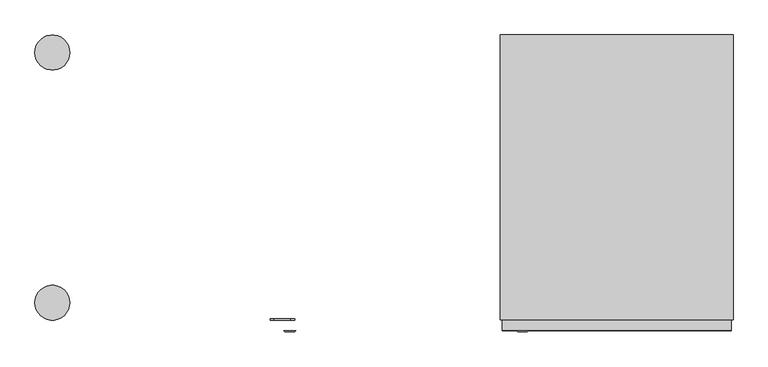
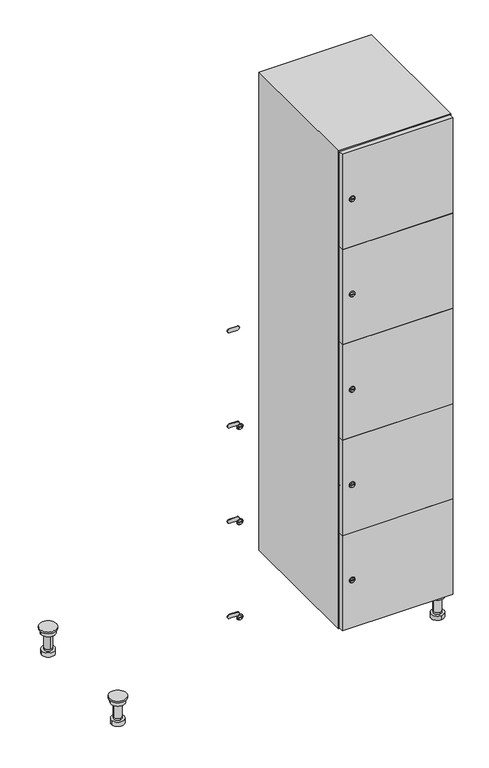
"""IFC4 building model written with IfcOpenShell, lengths in millimetres: furniture geometry."""

from ifc_helpers import new_model, si_unit, point, frame, frame_2d, origin, place, context, project, spatial, polyline, circle_curve, trimmed, segment, composite_curve, outline, extrude, faceted_brep, source, transform, mapped, element, save
from ifc_brep_helpers import plane_surface, cylinder_surface, revolved_surface, advanced_brep


def furniture_178ef676(model_context):
    return source(origin(), model_context, "Body", "SolidModel", [
        advanced_brep(
        [(970.0, -201.0, 22.0), (970.0, -201.5, 16.0), (970.0, -228.5, 16.0), (970.0, -229.0, 22.0), (956.0, -215.0, 22.0), (984.0, -215.0, 22.0), (970.0, -192.5, 16.0), (970.0, -237.5, 16.0), (970.0, -192.5, 0.0), (970.0, -237.5, 0.0), (984.0, -215.0, 78.0), (956.0, -215.0, 78.0), (995.0, -215.0, 78.0), (945.0, -215.0, 78.0), (1000.0, -215.0, 94.0), (940.0, -215.0, 94.0), (945.0, -215.0, 94.0), (995.0, -215.0, 94.0), (1000.0, -215.0, 100.0), (940.0, -215.0, 100.0)],
        [
            (0, 1),
            (1, 2, circle_curve(frame((970.0, -215.0, 16.0), z_axis=(0.0, 0.0, 1.0), x_axis=(0.0, -1.0, 0.0)), 13.5)),
            (2, 3),
            (3, 4, circle_curve(frame((970.0, -215.0, 22.0), z_axis=(0.0, 0.0, -1.0), x_axis=(0.0, -1.0, 0.0)), 14.0)),
            (4, 0, circle_curve(frame((970.0, -215.0, 22.0), z_axis=(0.0, 0.0, -1.0), x_axis=(0.0, -1.0, 0.0)), 14.0)),
            (0, 5, circle_curve(frame((970.0, -215.0, 22.0), z_axis=(0.0, 0.0, -1.0), x_axis=(0.0, 1.0, 0.0)), 14.0)),
            (5, 3, circle_curve(frame((970.0, -215.0, 22.0), z_axis=(0.0, 0.0, -1.0), x_axis=(0.0, 1.0, 0.0)), 14.0)),
            (2, 1, circle_curve(frame((970.0, -215.0, 16.0), z_axis=(0.0, 0.0, 1.0), x_axis=(0.0, 1.0, 0.0)), 13.5)),
            (6, 7, circle_curve(frame((970.0, -215.0, 16.0), z_axis=(0.0, 0.0, 1.0), x_axis=(0.0, -1.0, 0.0)), 22.5)),
            (7, 6, circle_curve(frame((970.0, -215.0, 16.0), z_axis=(0.0, 0.0, 1.0), x_axis=(0.0, -1.0, 0.0)), 22.5)),
            (8, 9, circle_curve(frame((970.0, -215.0, 0.0), z_axis=(0.0, 0.0, -1.0), x_axis=(0.0, -1.0, 0.0)), 22.5)),
            (9, 8, circle_curve(frame((970.0, -215.0, 0.0), z_axis=(0.0, 0.0, -1.0), x_axis=(0.0, -1.0, 0.0)), 22.5)),
            (6, 8),
            (9, 7),
            (5, 10),
            (10, 11, circle_curve(frame((970.0, -215.0, 78.0), z_axis=(0.0, 0.0, -1.0), x_axis=(-1.0, 0.0, 0.0)), 14.0)),
            (11, 4),
            (11, 10, circle_curve(frame((970.0, -215.0, 78.0), z_axis=(0.0, 0.0, -1.0), x_axis=(-1.0, 0.0, 0.0)), 14.0)),
            (12, 13, circle_curve(frame((970.0, -215.0, 78.0), z_axis=(0.0, 0.0, -1.0), x_axis=(-1.0, 0.0, 0.0)), 25.0)),
            (13, 12, circle_curve(frame((970.0, -215.0, 78.0), z_axis=(0.0, 0.0, -1.0), x_axis=(-1.0, 0.0, 0.0)), 25.0)),
            (14, 15, circle_curve(frame((970.0, -215.0, 94.0), z_axis=(0.0, 0.0, -1.0), x_axis=(-1.0, 0.0, 0.0)), 30.0)),
            (15, 14, circle_curve(frame((970.0, -215.0, 94.0), z_axis=(0.0, 0.0, -1.0), x_axis=(-1.0, 0.0, 0.0)), 30.0)),
            (16, 17, circle_curve(frame((970.0, -215.0, 94.0), z_axis=(0.0, 0.0, 1.0), x_axis=(-1.0, 0.0, 0.0)), 25.0)),
            (17, 16, circle_curve(frame((970.0, -215.0, 94.0), z_axis=(0.0, 0.0, 1.0), x_axis=(-1.0, 0.0, 0.0)), 25.0)),
            (18, 19, circle_curve(frame((970.0, -215.0, 100.0), z_axis=(0.0, 0.0, 1.0), x_axis=(-1.0, 0.0, 0.0)), 30.0)),
            (19, 18, circle_curve(frame((970.0, -215.0, 100.0), z_axis=(0.0, 0.0, 1.0), x_axis=(-1.0, 0.0, 0.0)), 30.0)),
            (14, 18),
            (19, 15),
            (12, 17),
            (16, 13),
        ],
        [
            revolved_surface(polyline([(970.0, -201.5, 16.0), (970.0, -201.0, 22.0)]), (970.0, -215.0, -146.0), (0.0, 0.0, 1.0)),
            plane_surface(frame((970.0, 0.0, 16.0), z_axis=(0.0, 0.0, 1.0), x_axis=(0.0, -1.0, 0.0))),
            plane_surface(frame((970.0, 0.0, 0.0), z_axis=(0.0, 0.0, -1.0), x_axis=(0.0, -1.0, 0.0))),
            cylinder_surface(frame((970.0, -215.0, 16.0), z_axis=(0.0, 0.0, 1.0), x_axis=(0.0, -1.0, 0.0)), 22.5),
            cylinder_surface(frame((970.0, -215.0, 22.0), z_axis=(0.0, 0.0, -1.0), x_axis=(-1.0, 0.0, 0.0)), 14.0),
            plane_surface(frame((970.0, 0.0, 78.0), z_axis=(0.0, 0.0, -1.0), x_axis=(0.0, -1.0, 0.0))),
            plane_surface(frame((970.0, 0.0, 94.0), z_axis=(0.0, 0.0, -1.0), x_axis=(0.0, -1.0, 0.0))),
            plane_surface(frame((970.0, 0.0, 100.0), z_axis=(0.0, 0.0, 1.0), x_axis=(0.0, -1.0, 0.0))),
            cylinder_surface(frame((970.0, -215.0, 94.0), z_axis=(0.0, 0.0, -1.0), x_axis=(-1.0, 0.0, 0.0)), 30.0),
            cylinder_surface(frame((970.0, -215.0, 78.0), z_axis=(0.0, 0.0, -1.0), x_axis=(-1.0, 0.0, 0.0)), 25.0),
        ],
        [
            (0, [[1, 2, 3, 4, 5]]),
            (0, [[-1, 6, 7, -3, 8]]),
            (1, [[9, 10], [-2, -8]]),
            (2, [[11, 12]]),
            (3, [[-9, 13, -12, 14]]),
            (3, [[-10, -14, -11, -13]]),
            (4, [[15, 16, 17, -4, -7]]),
            (4, [[-15, -6, -5, -17, 18]]),
            (5, [[19, 20], [-16, -18]]),
            (6, [[21, 22], [23, 24]]),
            (7, [[25, 26]]),
            (8, [[-21, 27, -26, 28]]),
            (8, [[-22, -28, -25, -27]]),
            (9, [[-19, 29, -23, 30]]),
            (9, [[-20, -30, -24, -29]]),
        ],
    ),
        advanced_brep(
        [(-170.0, -201.0, 22.0), (-170.0, -201.5, 16.0), (-170.0, -228.5, 16.0), (-170.0, -229.0, 22.0), (-184.0, -215.0, 22.0), (-156.0, -215.0, 22.0), (-147.5, -215.0, 0.0), (-192.5, -215.0, 0.0), (-147.5, -215.0, 16.0), (-192.5, -215.0, 16.0), (-156.0, -215.0, 78.0), (-184.0, -215.0, 78.0), (-145.0, -215.0, 78.0), (-195.0, -215.0, 78.0), (-140.0, -215.0, 94.0), (-200.0, -215.0, 94.0), (-195.0, -215.0, 94.0), (-145.0, -215.0, 94.0), (-140.0, -215.0, 100.0), (-200.0, -215.0, 100.0)],
        [
            (0, 1),
            (1, 2, circle_curve(frame((-170.0, -215.0, 16.0), z_axis=(0.0, 0.0, 1.0), x_axis=(0.0, -1.0, 0.0)), 13.5)),
            (2, 3),
            (3, 4, circle_curve(frame((-170.0, -215.0, 22.0), z_axis=(0.0, 0.0, -1.0), x_axis=(0.0, -1.0, 0.0)), 14.0)),
            (4, 0, circle_curve(frame((-170.0, -215.0, 22.0), z_axis=(0.0, 0.0, -1.0), x_axis=(0.0, -1.0, 0.0)), 14.0)),
            (0, 5, circle_curve(frame((-170.0, -215.0, 22.0), z_axis=(0.0, 0.0, -1.0), x_axis=(0.0, 1.0, 0.0)), 14.0)),
            (5, 3, circle_curve(frame((-170.0, -215.0, 22.0), z_axis=(0.0, 0.0, -1.0), x_axis=(0.0, 1.0, 0.0)), 14.0)),
            (2, 1, circle_curve(frame((-170.0, -215.0, 16.0), z_axis=(0.0, 0.0, 1.0), x_axis=(0.0, 1.0, 0.0)), 13.5)),
            (6, 7, circle_curve(frame((-170.0, -215.0, 0.0), z_axis=(0.0, 0.0, -1.0), x_axis=(-1.0, 0.0, 0.0)), 22.5)),
            (7, 6, circle_curve(frame((-170.0, -215.0, 0.0), z_axis=(0.0, 0.0, -1.0), x_axis=(-1.0, 0.0, 0.0)), 22.5)),
            (8, 9, circle_curve(frame((-170.0, -215.0, 16.0), z_axis=(0.0, 0.0, 1.0), x_axis=(-1.0, 0.0, 0.0)), 22.5)),
            (9, 8, circle_curve(frame((-170.0, -215.0, 16.0), z_axis=(0.0, 0.0, 1.0), x_axis=(-1.0, 0.0, 0.0)), 22.5)),
            (6, 8),
            (9, 7),
            (5, 10),
            (10, 11, circle_curve(frame((-170.0, -215.0, 78.0), z_axis=(0.0, 0.0, -1.0), x_axis=(-1.0, 0.0, 0.0)), 14.0)),
            (11, 4),
            (11, 10, circle_curve(frame((-170.0, -215.0, 78.0), z_axis=(0.0, 0.0, -1.0), x_axis=(-1.0, 0.0, 0.0)), 14.0)),
            (12, 13, circle_curve(frame((-170.0, -215.0, 78.0), z_axis=(0.0, 0.0, -1.0), x_axis=(-1.0, 0.0, 0.0)), 25.0)),
            (13, 12, circle_curve(frame((-170.0, -215.0, 78.0), z_axis=(0.0, 0.0, -1.0), x_axis=(-1.0, 0.0, 0.0)), 25.0)),
            (14, 15, circle_curve(frame((-170.0, -215.0, 94.0), z_axis=(0.0, 0.0, -1.0), x_axis=(-1.0, 0.0, 0.0)), 30.0)),
            (15, 14, circle_curve(frame((-170.0, -215.0, 94.0), z_axis=(0.0, 0.0, -1.0), x_axis=(-1.0, 0.0, 0.0)), 30.0)),
            (16, 17, circle_curve(frame((-170.0, -215.0, 94.0), z_axis=(0.0, 0.0, 1.0), x_axis=(-1.0, 0.0, 0.0)), 25.0)),
            (17, 16, circle_curve(frame((-170.0, -215.0, 94.0), z_axis=(0.0, 0.0, 1.0), x_axis=(-1.0, 0.0, 0.0)), 25.0)),
            (18, 19, circle_curve(frame((-170.0, -215.0, 100.0), z_axis=(0.0, 0.0, 1.0), x_axis=(-1.0, 0.0, 0.0)), 30.0)),
            (19, 18, circle_curve(frame((-170.0, -215.0, 100.0), z_axis=(0.0, 0.0, 1.0), x_axis=(-1.0, 0.0, 0.0)), 30.0)),
            (14, 18),
            (19, 15),
            (12, 17),
            (16, 13),
        ],
        [
            revolved_surface(polyline([(-170.0, -201.5, 16.0), (-170.0, -201.0, 22.0)]), (-170.0, -215.0, -146.0), (0.0, 0.0, 1.0)),
            plane_surface(frame((-170.0, 0.0, 0.0), z_axis=(0.0, 0.0, -1.0), x_axis=(0.0, -1.0, 0.0))),
            plane_surface(frame((-170.0, 0.0, 16.0), z_axis=(0.0, 0.0, 1.0), x_axis=(0.0, -1.0, 0.0))),
            cylinder_surface(frame((-170.0, -215.0, 0.0), z_axis=(0.0, 0.0, -1.0), x_axis=(-1.0, 0.0, 0.0)), 22.5),
            cylinder_surface(frame((-170.0, -215.0, 22.0), z_axis=(0.0, 0.0, -1.0), x_axis=(-1.0, 0.0, 0.0)), 14.0),
            plane_surface(frame((-170.0, 0.0, 78.0), z_axis=(0.0, 0.0, -1.0), x_axis=(0.0, -1.0, 0.0))),
            plane_surface(frame((-170.0, 0.0, 94.0), z_axis=(0.0, 0.0, -1.0), x_axis=(0.0, -1.0, 0.0))),
            plane_surface(frame((-170.0, 0.0, 100.0), z_axis=(0.0, 0.0, 1.0), x_axis=(0.0, -1.0, 0.0))),
            cylinder_surface(frame((-170.0, -215.0, 94.0), z_axis=(0.0, 0.0, -1.0), x_axis=(-1.0, 0.0, 0.0)), 30.0),
            cylinder_surface(frame((-170.0, -215.0, 78.0), z_axis=(0.0, 0.0, -1.0), x_axis=(-1.0, 0.0, 0.0)), 25.0),
        ],
        [
            (0, [[1, 2, 3, 4, 5]]),
            (0, [[-1, 6, 7, -3, 8]]),
            (1, [[9, 10]]),
            (2, [[11, 12], [-2, -8]]),
            (3, [[-9, 13, -12, 14]]),
            (3, [[-10, -14, -11, -13]]),
            (4, [[15, 16, 17, -4, -7]]),
            (4, [[-15, -6, -5, -17, 18]]),
            (5, [[19, 20], [-16, -18]]),
            (6, [[21, 22], [23, 24]]),
            (7, [[25, 26]]),
            (8, [[-21, 27, -26, 28]]),
            (8, [[-22, -28, -25, -27]]),
            (9, [[-19, 29, -23, 30]]),
            (9, [[-20, -30, -24, -29]]),
        ],
    ),
        advanced_brep(
        [(983.5, 215.0, 16.0), (984.0, 215.0, 22.0), (956.0, 215.0, 22.0), (956.5, 215.0, 16.0), (992.5, 215.0, 0.0), (947.5, 215.0, 0.0), (992.5, 215.0, 16.0), (947.5, 215.0, 16.0), (984.0, 215.0, 78.0), (956.0, 215.0, 78.0), (995.0, 215.0, 78.0), (945.0, 215.0, 78.0), (1000.0, 215.0, 94.0), (940.0, 215.0, 94.0), (945.0, 215.0, 94.0), (995.0, 215.0, 94.0), (1000.0, 215.0, 100.0), (940.0, 215.0, 100.0)],
        [
            (0, 1),
            (1, 2, circle_curve(frame((970.0, 215.0, 22.0), z_axis=(0.0, 0.0, -1.0), x_axis=(-1.0, 0.0, 0.0)), 14.0)),
            (2, 3),
            (3, 0, circle_curve(frame((970.0, 215.0, 16.0), z_axis=(0.0, 0.0, 1.0), x_axis=(-1.0, 0.0, 0.0)), 13.5)),
            (0, 3, circle_curve(frame((970.0, 215.0, 16.0), z_axis=(0.0, 0.0, 1.0), x_axis=(1.0, 0.0, 0.0)), 13.5)),
            (2, 1, circle_curve(frame((970.0, 215.0, 22.0), z_axis=(0.0, 0.0, -1.0), x_axis=(1.0, 0.0, 0.0)), 14.0)),
            (4, 5, circle_curve(frame((970.0, 215.0, 0.0), z_axis=(0.0, 0.0, -1.0), x_axis=(-1.0, 0.0, 0.0)), 22.5)),
            (5, 4, circle_curve(frame((970.0, 215.0, 0.0), z_axis=(0.0, 0.0, -1.0), x_axis=(-1.0, 0.0, 0.0)), 22.5)),
            (6, 7, circle_curve(frame((970.0, 215.0, 16.0), z_axis=(0.0, 0.0, 1.0), x_axis=(-1.0, 0.0, 0.0)), 22.5)),
            (7, 6, circle_curve(frame((970.0, 215.0, 16.0), z_axis=(0.0, 0.0, 1.0), x_axis=(-1.0, 0.0, 0.0)), 22.5)),
            (4, 6),
            (7, 5),
            (1, 8),
            (8, 9, circle_curve(frame((970.0, 215.0, 78.0), z_axis=(0.0, 0.0, -1.0), x_axis=(-1.0, 0.0, 0.0)), 14.0)),
            (9, 2),
            (9, 8, circle_curve(frame((970.0, 215.0, 78.0), z_axis=(0.0, 0.0, -1.0), x_axis=(-1.0, 0.0, 0.0)), 14.0)),
            (10, 11, circle_curve(frame((970.0, 215.0, 78.0), z_axis=(0.0, 0.0, -1.0), x_axis=(-1.0, 0.0, 0.0)), 25.0)),
            (11, 10, circle_curve(frame((970.0, 215.0, 78.0), z_axis=(0.0, 0.0, -1.0), x_axis=(-1.0, 0.0, 0.0)), 25.0)),
            (12, 13, circle_curve(frame((970.0, 215.0, 94.0), z_axis=(0.0, 0.0, -1.0), x_axis=(-1.0, 0.0, 0.0)), 30.0)),
            (13, 12, circle_curve(frame((970.0, 215.0, 94.0), z_axis=(0.0, 0.0, -1.0), x_axis=(-1.0, 0.0, 0.0)), 30.0)),
            (14, 15, circle_curve(frame((970.0, 215.0, 94.0), z_axis=(0.0, 0.0, 1.0), x_axis=(-1.0, 0.0, 0.0)), 25.0)),
            (15, 14, circle_curve(frame((970.0, 215.0, 94.0), z_axis=(0.0, 0.0, 1.0), x_axis=(-1.0, 0.0, 0.0)), 25.0)),
            (16, 17, circle_curve(frame((970.0, 215.0, 100.0), z_axis=(0.0, 0.0, 1.0), x_axis=(-1.0, 0.0, 0.0)), 30.0)),
            (17, 16, circle_curve(frame((970.0, 215.0, 100.0), z_axis=(0.0, 0.0, 1.0), x_axis=(-1.0, 0.0, 0.0)), 30.0)),
            (12, 16),
            (17, 13),
            (10, 15),
            (14, 11),
        ],
        [
            revolved_surface(polyline([(983.5, 215.0, 16.0), (984.0, 215.0, 22.0)]), (970.0, 215.0, -146.0), (0.0, 0.0, 1.0)),
            plane_surface(frame((970.0, 0.0, 0.0), z_axis=(0.0, 0.0, -1.0), x_axis=(0.0, -1.0, 0.0))),
            plane_surface(frame((970.0, 0.0, 16.0), z_axis=(0.0, 0.0, 1.0), x_axis=(0.0, -1.0, 0.0))),
            cylinder_surface(frame((970.0, 215.0, 0.0), z_axis=(0.0, 0.0, -1.0), x_axis=(-1.0, 0.0, 0.0)), 22.5),
            cylinder_surface(frame((970.0, 215.0, 22.0), z_axis=(0.0, 0.0, -1.0), x_axis=(-1.0, 0.0, 0.0)), 14.0),
            plane_surface(frame((970.0, 0.0, 78.0), z_axis=(0.0, 0.0, -1.0), x_axis=(0.0, -1.0, 0.0))),
            plane_surface(frame((970.0, 0.0, 94.0), z_axis=(0.0, 0.0, -1.0), x_axis=(0.0, -1.0, 0.0))),
            plane_surface(frame((970.0, 0.0, 100.0), z_axis=(0.0, 0.0, 1.0), x_axis=(0.0, -1.0, 0.0))),
            cylinder_surface(frame((970.0, 215.0, 94.0), z_axis=(0.0, 0.0, -1.0), x_axis=(-1.0, 0.0, 0.0)), 30.0),
            cylinder_surface(frame((970.0, 215.0, 78.0), z_axis=(0.0, 0.0, -1.0), x_axis=(-1.0, 0.0, 0.0)), 25.0),
        ],
        [
            (0, [[1, 2, 3, 4]]),
            (0, [[-1, 5, -3, 6]]),
            (1, [[7, 8]]),
            (2, [[9, 10], [-4, -5]]),
            (3, [[-7, 11, -10, 12]]),
            (3, [[-8, -12, -9, -11]]),
            (4, [[13, 14, 15, -2]]),
            (4, [[-13, -6, -15, 16]]),
            (5, [[17, 18], [-14, -16]]),
            (6, [[19, 20], [21, 22]]),
            (7, [[23, 24]]),
            (8, [[-19, 25, -24, 26]]),
            (8, [[-20, -26, -23, -25]]),
            (9, [[-17, 27, -21, 28]]),
            (9, [[-18, -28, -22, -27]]),
        ],
    ),
        advanced_brep(
        [(-156.5, 215.0, 16.0), (-156.0, 215.0, 22.0), (-170.0, 201.0, 22.0), (-184.0, 215.0, 22.0), (-183.5, 215.0, 16.0), (-170.0, 229.0, 22.0), (-147.5, 215.0, 0.0), (-192.5, 215.0, 0.0), (-147.5, 215.0, 16.0), (-192.5, 215.0, 16.0), (-170.0, 229.0, 78.0), (-170.0, 201.0, 78.0), (-145.0, 215.0, 78.0), (-195.0, 215.0, 78.0), (-140.0, 215.0, 94.0), (-200.0, 215.0, 94.0), (-195.0, 215.0, 94.0), (-145.0, 215.0, 94.0), (-140.0, 215.0, 100.0), (-200.0, 215.0, 100.0)],
        [
            (0, 1),
            (1, 2, circle_curve(frame((-170.0, 215.0, 22.0), z_axis=(0.0, 0.0, -1.0), x_axis=(-1.0, 0.0, 0.0)), 14.0)),
            (2, 3, circle_curve(frame((-170.0, 215.0, 22.0), z_axis=(0.0, 0.0, -1.0), x_axis=(-1.0, 0.0, 0.0)), 14.0)),
            (3, 4),
            (4, 0, circle_curve(frame((-170.0, 215.0, 16.0), z_axis=(0.0, 0.0, 1.0), x_axis=(-1.0, 0.0, 0.0)), 13.5)),
            (0, 4, circle_curve(frame((-170.0, 215.0, 16.0), z_axis=(0.0, 0.0, 1.0), x_axis=(1.0, 0.0, 0.0)), 13.5)),
            (3, 5, circle_curve(frame((-170.0, 215.0, 22.0), z_axis=(0.0, 0.0, -1.0), x_axis=(1.0, 0.0, 0.0)), 14.0)),
            (5, 1, circle_curve(frame((-170.0, 215.0, 22.0), z_axis=(0.0, 0.0, -1.0), x_axis=(1.0, 0.0, 0.0)), 14.0)),
            (6, 7, circle_curve(frame((-170.0, 215.0, 0.0), z_axis=(0.0, 0.0, -1.0), x_axis=(-1.0, 0.0, 0.0)), 22.5)),
            (7, 6, circle_curve(frame((-170.0, 215.0, 0.0), z_axis=(0.0, 0.0, -1.0), x_axis=(-1.0, 0.0, 0.0)), 22.5)),
            (8, 9, circle_curve(frame((-170.0, 215.0, 16.0), z_axis=(0.0, 0.0, 1.0), x_axis=(-1.0, 0.0, 0.0)), 22.5)),
            (9, 8, circle_curve(frame((-170.0, 215.0, 16.0), z_axis=(0.0, 0.0, 1.0), x_axis=(-1.0, 0.0, 0.0)), 22.5)),
            (6, 8),
            (9, 7),
            (10, 5),
            (2, 11),
            (11, 10, circle_curve(frame((-170.0, 215.0, 78.0), z_axis=(0.0, 0.0, -1.0), x_axis=(0.0, -1.0, 0.0)), 14.0)),
            (10, 11, circle_curve(frame((-170.0, 215.0, 78.0), z_axis=(0.0, 0.0, -1.0), x_axis=(0.0, -1.0, 0.0)), 14.0)),
            (12, 13, circle_curve(frame((-170.0, 215.0, 78.0), z_axis=(0.0, 0.0, -1.0), x_axis=(-1.0, 0.0, 0.0)), 25.0)),
            (13, 12, circle_curve(frame((-170.0, 215.0, 78.0), z_axis=(0.0, 0.0, -1.0), x_axis=(-1.0, 0.0, 0.0)), 25.0)),
            (14, 15, circle_curve(frame((-170.0, 215.0, 94.0), z_axis=(0.0, 0.0, -1.0), x_axis=(-1.0, 0.0, 0.0)), 30.0)),
            (15, 14, circle_curve(frame((-170.0, 215.0, 94.0), z_axis=(0.0, 0.0, -1.0), x_axis=(-1.0, 0.0, 0.0)), 30.0)),
            (16, 17, circle_curve(frame((-170.0, 215.0, 94.0), z_axis=(0.0, 0.0, 1.0), x_axis=(-1.0, 0.0, 0.0)), 25.0)),
            (17, 16, circle_curve(frame((-170.0, 215.0, 94.0), z_axis=(0.0, 0.0, 1.0), x_axis=(-1.0, 0.0, 0.0)), 25.0)),
            (18, 19, circle_curve(frame((-170.0, 215.0, 100.0), z_axis=(0.0, 0.0, 1.0), x_axis=(-1.0, 0.0, 0.0)), 30.0)),
            (19, 18, circle_curve(frame((-170.0, 215.0, 100.0), z_axis=(0.0, 0.0, 1.0), x_axis=(-1.0, 0.0, 0.0)), 30.0)),
            (14, 18),
            (19, 15),
            (12, 17),
            (16, 13),
        ],
        [
            revolved_surface(polyline([(-156.5, 215.0, 16.0), (-156.0, 215.0, 22.0)]), (-170.0, 215.0, -146.0), (0.0, 0.0, 1.0)),
            plane_surface(frame((-170.0, 0.0, 0.0), z_axis=(0.0, 0.0, -1.0), x_axis=(0.0, -1.0, 0.0))),
            plane_surface(frame((-170.0, 0.0, 16.0), z_axis=(0.0, 0.0, 1.0), x_axis=(0.0, -1.0, 0.0))),
            cylinder_surface(frame((-170.0, 215.0, 0.0), z_axis=(0.0, 0.0, -1.0), x_axis=(-1.0, 0.0, 0.0)), 22.5),
            cylinder_surface(frame((-170.0, 215.0, 78.0), z_axis=(0.0, 0.0, 1.0), x_axis=(0.0, -1.0, 0.0)), 14.0),
            plane_surface(frame((-170.0, 0.0, 78.0), z_axis=(0.0, 0.0, -1.0), x_axis=(0.0, -1.0, 0.0))),
            plane_surface(frame((-170.0, 0.0, 94.0), z_axis=(0.0, 0.0, -1.0), x_axis=(0.0, -1.0, 0.0))),
            plane_surface(frame((-170.0, 0.0, 100.0), z_axis=(0.0, 0.0, 1.0), x_axis=(0.0, -1.0, 0.0))),
            cylinder_surface(frame((-170.0, 215.0, 94.0), z_axis=(0.0, 0.0, -1.0), x_axis=(-1.0, 0.0, 0.0)), 30.0),
            cylinder_surface(frame((-170.0, 215.0, 78.0), z_axis=(0.0, 0.0, -1.0), x_axis=(-1.0, 0.0, 0.0)), 25.0),
        ],
        [
            (0, [[1, 2, 3, 4, 5]]),
            (0, [[-1, 6, -4, 7, 8]]),
            (1, [[9, 10]]),
            (2, [[11, 12], [-5, -6]]),
            (3, [[-9, 13, -12, 14]]),
            (3, [[-10, -14, -11, -13]]),
            (4, [[15, -7, -3, 16, 17]]),
            (4, [[-15, 18, -16, -2, -8]]),
            (5, [[19, 20], [-17, -18]]),
            (6, [[21, 22], [23, 24]]),
            (7, [[25, 26]]),
            (8, [[-21, 27, -26, 28]]),
            (8, [[-22, -28, -25, -27]]),
            (9, [[-19, 29, -23, 30]]),
            (9, [[-20, -30, -24, -29]]),
        ],
    ),
        extrude(outline(composite_curve([segment(trimmed(circle_curve(frame_2d((282.4, 611.2010534)), 7.0), [point((289.4, 611.2010534))], [point((275.4, 611.2010534))], False, "CARTESIAN"), True, "CONTINUOUS"), segment(polyline([(275.4, 611.2010534), (275.4, 639.2010534)]), True, "CONTINUOUS"), segment(trimmed(circle_curve(frame_2d((282.4, 639.2010534)), 7.0), [point((275.4, 639.2010534))], [point((289.4, 639.2010534))], False, "CARTESIAN"), True, "CONTINUOUS"), segment(polyline([(289.4, 639.2010534), (289.4, 611.2010534)]), True, "CONTINUOUS")], self_intersect=False)), frame((0.0, -245.0, 0.0), z_axis=(0.0, 1.0, 0.0), x_axis=(0.0, 0.0, 1.0)), (0.0, 0.0, 1.0), 2.0),
        advanced_brep(
        [(646.5, -265.2, 282.4), (629.5, -265.2, 282.4), (633.0, -265.2, 281.15), (633.0, -265.2, 283.65), (643.0, -265.2, 283.65), (643.0, -265.2, 281.15), (648.5, -263.0, 282.4), (627.5, -263.0, 282.4), (633.0, -263.0, 283.65), (633.0, -263.0, 281.15), (643.0, -263.0, 281.15), (643.0, -263.0, 283.65)],
        [
            (0, 1, circle_curve(frame((638.0, -265.2, 282.4), z_axis=(0.0, -1.0, 0.0), x_axis=(1.0, 0.0, 0.0)), 8.5)),
            (1, 0, circle_curve(frame((638.0, -265.2, 282.4), z_axis=(0.0, -1.0, 0.0), x_axis=(-1.0, 0.0, 0.0)), 8.5)),
            (2, 3),
            (3, 4),
            (4, 5),
            (5, 2),
            (6, 7, circle_curve(frame((638.0, -263.0, 282.4), z_axis=(0.0, 1.0, 0.0), x_axis=(-1.0, 0.0, 0.0)), 10.5)),
            (7, 6, circle_curve(frame((638.0, -263.0, 282.4), z_axis=(0.0, 1.0, 0.0), x_axis=(1.0, 0.0, 0.0)), 10.5)),
            (8, 9),
            (9, 10),
            (10, 11),
            (11, 8),
            (0, 6),
            (7, 1),
            (8, 3),
            (2, 9),
            (11, 4),
            (10, 5),
        ],
        [
            plane_surface(frame((638.0, -265.2, 282.4), z_axis=(0.0, -1.0, 0.0), x_axis=(0.0, 0.0, 1.0))),
            plane_surface(frame((638.0, -263.0, 282.4), z_axis=(0.0, 1.0, 0.0), x_axis=(0.0, 0.0, 1.0))),
            revolved_surface(polyline([(646.5, -265.2, 282.4), (648.5, -263.0, 282.4)]), (638.0, -274.55, 282.4), (0.0, 1.0, 0.0)),
            revolved_surface(polyline([(629.5, -265.2, 282.4), (627.5, -263.0, 282.4)]), (638.0, -274.55, 282.4), (0.0, 1.0, 0.0)),
            plane_surface(frame((633.0, -263.0, 281.15), z_axis=(1.0, 0.0, 0.0), x_axis=(0.0, -1.0, 0.0))),
            plane_surface(frame((633.0, -263.0, 283.65), z_axis=(0.0, 0.0, -1.0), x_axis=(0.0, -1.0, 0.0))),
            plane_surface(frame((643.0, -263.0, 283.65), z_axis=(-1.0, 0.0, 0.0), x_axis=(0.0, -1.0, 0.0))),
            plane_surface(frame((643.0, -263.0, 281.15), z_axis=(0.0, 0.0, 1.0), x_axis=(0.0, -1.0, 0.0))),
        ],
        [
            (0, [[1, 2], [3, 4, 5, 6]]),
            (1, [[7, 8], [9, 10, 11, 12]]),
            (2, [[-1, 13, -8, 14]]),
            (3, [[-2, -14, -7, -13]]),
            (4, [[15, -3, 16, -9]]),
            (5, [[-15, -12, 17, -4]]),
            (6, [[-17, -11, 18, -5]]),
            (7, [[-16, -6, -18, -10]]),
        ],
    ),
        extrude(outline(composite_curve([segment(trimmed(circle_curve(frame_2d((641.2, 611.2010534)), 7.0), [point((648.2, 611.2010534))], [point((634.2, 611.2010534))], False, "CARTESIAN"), True, "CONTINUOUS"), segment(polyline([(634.2, 611.2010534), (634.2, 639.2010534)]), True, "CONTINUOUS"), segment(trimmed(circle_curve(frame_2d((641.2, 639.2010534)), 7.0), [point((634.2, 639.2010534))], [point((648.2, 639.2010534))], False, "CARTESIAN"), True, "CONTINUOUS"), segment(polyline([(648.2, 639.2010534), (648.2, 611.2010534)]), True, "CONTINUOUS")], self_intersect=False)), frame((0.0, -245.0, 0.0), z_axis=(0.0, 1.0, 0.0), x_axis=(0.0, 0.0, 1.0)), (0.0, 0.0, 1.0), 2.0),
        advanced_brep(
        [(646.5, -265.2, 641.2), (629.5, -265.2, 641.2), (633.0, -265.2, 639.95), (633.0, -265.2, 642.45), (643.0, -265.2, 642.45), (643.0, -265.2, 639.95), (648.5, -263.0, 641.2), (627.5, -263.0, 641.2), (633.0, -263.0, 642.45), (633.0, -263.0, 639.95), (643.0, -263.0, 639.95), (643.0, -263.0, 642.45)],
        [
            (0, 1, circle_curve(frame((638.0, -265.2, 641.2), z_axis=(0.0, -1.0, 0.0), x_axis=(1.0, 0.0, 0.0)), 8.5)),
            (1, 0, circle_curve(frame((638.0, -265.2, 641.2), z_axis=(0.0, -1.0, 0.0), x_axis=(-1.0, 0.0, 0.0)), 8.5)),
            (2, 3),
            (3, 4),
            (4, 5),
            (5, 2),
            (6, 7, circle_curve(frame((638.0, -263.0, 641.2), z_axis=(0.0, 1.0, 0.0), x_axis=(-1.0, 0.0, 0.0)), 10.5)),
            (7, 6, circle_curve(frame((638.0, -263.0, 641.2), z_axis=(0.0, 1.0, 0.0), x_axis=(1.0, 0.0, 0.0)), 10.5)),
            (8, 9),
            (9, 10),
            (10, 11),
            (11, 8),
            (0, 6),
            (7, 1),
            (8, 3),
            (2, 9),
            (11, 4),
            (10, 5),
        ],
        [
            plane_surface(frame((638.0, -265.2, 641.2), z_axis=(0.0, -1.0, 0.0), x_axis=(0.0, 0.0, 1.0))),
            plane_surface(frame((638.0, -263.0, 641.2), z_axis=(0.0, 1.0, 0.0), x_axis=(0.0, 0.0, 1.0))),
            revolved_surface(polyline([(646.5, -265.2, 641.2), (648.5, -263.0, 641.2)]), (638.0, -274.55, 641.2), (0.0, 1.0, 0.0)),
            revolved_surface(polyline([(629.5, -265.2, 641.2), (627.5, -263.0, 641.2)]), (638.0, -274.55, 641.2), (0.0, 1.0, 0.0)),
            plane_surface(frame((633.0, -263.0, 639.95), z_axis=(1.0, 0.0, 0.0), x_axis=(0.0, -1.0, 0.0))),
            plane_surface(frame((633.0, -263.0, 642.45), z_axis=(0.0, 0.0, -1.0), x_axis=(0.0, -1.0, 0.0))),
            plane_surface(frame((643.0, -263.0, 642.45), z_axis=(-1.0, 0.0, 0.0), x_axis=(0.0, -1.0, 0.0))),
            plane_surface(frame((643.0, -263.0, 639.95), z_axis=(0.0, 0.0, 1.0), x_axis=(0.0, -1.0, 0.0))),
        ],
        [
            (0, [[1, 2], [3, 4, 5, 6]]),
            (1, [[7, 8], [9, 10, 11, 12]]),
            (2, [[-1, 13, -8, 14]]),
            (3, [[-2, -14, -7, -13]]),
            (4, [[15, -3, 16, -9]]),
            (5, [[-15, -12, 17, -4]]),
            (6, [[-17, -11, 18, -5]]),
            (7, [[-16, -6, -18, -10]]),
        ],
    ),
        extrude(outline(composite_curve([segment(trimmed(circle_curve(frame_2d((1000.0, 611.2010534)), 7.0), [point((1007.0, 611.2010534))], [point((993.0, 611.2010534))], False, "CARTESIAN"), True, "CONTINUOUS"), segment(polyline([(993.0, 611.2010534), (993.0, 639.2010534)]), True, "CONTINUOUS"), segment(trimmed(circle_curve(frame_2d((1000.0, 639.2010534)), 7.0), [point((993.0, 639.2010534))], [point((1007.0, 639.2010534))], False, "CARTESIAN"), True, "CONTINUOUS"), segment(polyline([(1007.0, 639.2010534), (1007.0, 611.2010534)]), True, "CONTINUOUS")], self_intersect=False)), frame((0.0, -245.0, 0.0), z_axis=(0.0, 1.0, 0.0), x_axis=(0.0, 0.0, 1.0)), (0.0, 0.0, 1.0), 2.0),
        advanced_brep(
        [(646.5, -265.2, 1000.0), (629.5, -265.2, 1000.0), (633.0, -265.2, 998.75), (633.0, -265.2, 1001.25), (643.0, -265.2, 1001.25), (643.0, -265.2, 998.75), (648.5, -263.0, 1000.0), (627.5, -263.0, 1000.0), (633.0, -263.0, 1001.25), (633.0, -263.0, 998.75), (643.0, -263.0, 998.75), (643.0, -263.0, 1001.25)],
        [
            (0, 1, circle_curve(frame((638.0, -265.2, 1000.0), z_axis=(0.0, -1.0, 0.0), x_axis=(1.0, 0.0, 0.0)), 8.5)),
            (1, 0, circle_curve(frame((638.0, -265.2, 1000.0), z_axis=(0.0, -1.0, 0.0), x_axis=(-1.0, 0.0, 0.0)), 8.5)),
            (2, 3),
            (3, 4),
            (4, 5),
            (5, 2),
            (6, 7, circle_curve(frame((638.0, -263.0, 1000.0), z_axis=(0.0, 1.0, 0.0), x_axis=(-1.0, 0.0, 0.0)), 10.5)),
            (7, 6, circle_curve(frame((638.0, -263.0, 1000.0), z_axis=(0.0, 1.0, 0.0), x_axis=(1.0, 0.0, 0.0)), 10.5)),
            (8, 9),
            (9, 10),
            (10, 11),
            (11, 8),
            (0, 6),
            (7, 1),
            (8, 3),
            (2, 9),
            (11, 4),
            (10, 5),
        ],
        [
            plane_surface(frame((638.0, -265.2, 1000.0), z_axis=(0.0, -1.0, 0.0), x_axis=(0.0, 0.0, 1.0))),
            plane_surface(frame((638.0, -263.0, 1000.0), z_axis=(0.0, 1.0, 0.0), x_axis=(0.0, 0.0, 1.0))),
            revolved_surface(polyline([(646.5, -265.2, 1000.0), (648.5, -263.0, 1000.0)]), (638.0, -274.55, 1000.0), (0.0, 1.0, 0.0)),
            revolved_surface(polyline([(629.5, -265.2, 1000.0), (627.5, -263.0, 1000.0)]), (638.0, -274.55, 1000.0), (0.0, 1.0, 0.0)),
            plane_surface(frame((633.0, -263.0, 998.75), z_axis=(1.0, 0.0, 0.0), x_axis=(0.0, -1.0, 0.0))),
            plane_surface(frame((633.0, -263.0, 1001.25), z_axis=(0.0, 0.0, -1.0), x_axis=(0.0, -1.0, 0.0))),
            plane_surface(frame((643.0, -263.0, 1001.25), z_axis=(-1.0, 0.0, 0.0), x_axis=(0.0, -1.0, 0.0))),
            plane_surface(frame((643.0, -263.0, 998.75), z_axis=(0.0, 0.0, 1.0), x_axis=(0.0, -1.0, 0.0))),
        ],
        [
            (0, [[1, 2], [3, 4, 5, 6]]),
            (1, [[7, 8], [9, 10, 11, 12]]),
            (2, [[-1, 13, -8, 14]]),
            (3, [[-2, -14, -7, -13]]),
            (4, [[15, -3, 16, -9]]),
            (5, [[-15, -12, 17, -4]]),
            (6, [[-17, -11, 18, -5]]),
            (7, [[-16, -6, -18, -10]]),
        ],
    ),
        extrude(outline(composite_curve([segment(trimmed(circle_curve(frame_2d((1358.8, 611.2010534)), 7.0), [point((1365.8, 611.2010534))], [point((1351.8, 611.2010534))], False, "CARTESIAN"), True, "CONTINUOUS"), segment(polyline([(1351.8, 611.2010534), (1351.8, 639.2010534)]), True, "CONTINUOUS"), segment(trimmed(circle_curve(frame_2d((1358.8, 639.2010534)), 7.0), [point((1351.8, 639.2010534))], [point((1365.8, 639.2010534))], False, "CARTESIAN"), True, "CONTINUOUS"), segment(polyline([(1365.8, 639.2010534), (1365.8, 611.2010534)]), True, "CONTINUOUS")], self_intersect=False)), frame((0.0, -245.0, 0.0), z_axis=(0.0, 1.0, 0.0), x_axis=(0.0, 0.0, 1.0)), (0.0, 0.0, 1.0), 2.0),
        advanced_brep(
        [(646.5, -265.2, 1358.8), (629.5, -265.2, 1358.8), (633.0, -265.2, 1357.55), (633.0, -265.2, 1360.05), (643.0, -265.2, 1360.05), (643.0, -265.2, 1357.55), (648.5, -263.0, 1358.8), (627.5, -263.0, 1358.8), (633.0, -263.0, 1360.05), (633.0, -263.0, 1357.55), (643.0, -263.0, 1357.55), (643.0, -263.0, 1360.05)],
        [
            (0, 1, circle_curve(frame((638.0, -265.2, 1358.8), z_axis=(0.0, -1.0, 0.0), x_axis=(1.0, 0.0, 0.0)), 8.5)),
            (1, 0, circle_curve(frame((638.0, -265.2, 1358.8), z_axis=(0.0, -1.0, 0.0), x_axis=(-1.0, 0.0, 0.0)), 8.5)),
            (2, 3),
            (3, 4),
            (4, 5),
            (5, 2),
            (6, 7, circle_curve(frame((638.0, -263.0, 1358.8), z_axis=(0.0, 1.0, 0.0), x_axis=(-1.0, 0.0, 0.0)), 10.5)),
            (7, 6, circle_curve(frame((638.0, -263.0, 1358.8), z_axis=(0.0, 1.0, 0.0), x_axis=(1.0, 0.0, 0.0)), 10.5)),
            (8, 9),
            (9, 10),
            (10, 11),
            (11, 8),
            (0, 6),
            (7, 1),
            (8, 3),
            (2, 9),
            (11, 4),
            (10, 5),
        ],
        [
            plane_surface(frame((638.0, -265.2, 1358.8), z_axis=(0.0, -1.0, 0.0), x_axis=(0.0, 0.0, 1.0))),
            plane_surface(frame((638.0, -263.0, 1358.8), z_axis=(0.0, 1.0, 0.0), x_axis=(0.0, 0.0, 1.0))),
            revolved_surface(polyline([(646.5, -265.2, 1358.8), (648.5, -263.0, 1358.8)]), (638.0, -274.55, 1358.8), (0.0, 1.0, 0.0)),
            revolved_surface(polyline([(629.5, -265.2, 1358.8), (627.5, -263.0, 1358.8)]), (638.0, -274.55, 1358.8), (0.0, 1.0, 0.0)),
            plane_surface(frame((633.0, -263.0, 1357.55), z_axis=(1.0, 0.0, 0.0), x_axis=(0.0, -1.0, 0.0))),
            plane_surface(frame((633.0, -263.0, 1360.05), z_axis=(0.0, 0.0, -1.0), x_axis=(0.0, -1.0, 0.0))),
            plane_surface(frame((643.0, -263.0, 1360.05), z_axis=(-1.0, 0.0, 0.0), x_axis=(0.0, -1.0, 0.0))),
            plane_surface(frame((643.0, -263.0, 1357.55), z_axis=(0.0, 0.0, 1.0), x_axis=(0.0, -1.0, 0.0))),
        ],
        [
            (0, [[1, 2], [3, 4, 5, 6]]),
            (1, [[7, 8], [9, 10, 11, 12]]),
            (2, [[-1, 13, -8, 14]]),
            (3, [[-2, -14, -7, -13]]),
            (4, [[15, -3, 16, -9]]),
            (5, [[-15, -12, 17, -4]]),
            (6, [[-17, -11, 18, -5]]),
            (7, [[-16, -6, -18, -10]]),
        ],
    ),
        extrude(outline(composite_curve([segment(trimmed(circle_curve(frame_2d((1717.6, 611.2010534)), 7.0), [point((1724.6, 611.2010534))], [point((1710.6, 611.2010534))], False, "CARTESIAN"), True, "CONTINUOUS"), segment(polyline([(1710.6, 611.2010534), (1710.6, 639.2010534)]), True, "CONTINUOUS"), segment(trimmed(circle_curve(frame_2d((1717.6, 639.2010534)), 7.0), [point((1710.6, 639.2010534))], [point((1724.6, 639.2010534))], False, "CARTESIAN"), True, "CONTINUOUS"), segment(polyline([(1724.6, 639.2010534), (1724.6, 611.2010534)]), True, "CONTINUOUS")], self_intersect=False)), frame((0.0, -245.0, 0.0), z_axis=(0.0, 1.0, 0.0), x_axis=(0.0, 0.0, 1.0)), (0.0, 0.0, 1.0), 2.0),
        advanced_brep(
        [(646.5, -265.2, 1717.6), (629.5, -265.2, 1717.6), (633.0, -265.2, 1716.35), (633.0, -265.2, 1718.85), (643.0, -265.2, 1718.85), (643.0, -265.2, 1716.35), (648.5, -263.0, 1717.6), (627.5, -263.0, 1717.6), (633.0, -263.0, 1718.85), (633.0, -263.0, 1716.35), (643.0, -263.0, 1716.35), (643.0, -263.0, 1718.85)],
        [
            (0, 1, circle_curve(frame((638.0, -265.2, 1717.6), z_axis=(0.0, -1.0, 0.0), x_axis=(1.0, 0.0, 0.0)), 8.5)),
            (1, 0, circle_curve(frame((638.0, -265.2, 1717.6), z_axis=(0.0, -1.0, 0.0), x_axis=(-1.0, 0.0, 0.0)), 8.5)),
            (2, 3),
            (3, 4),
            (4, 5),
            (5, 2),
            (6, 7, circle_curve(frame((638.0, -263.0, 1717.6), z_axis=(0.0, 1.0, 0.0), x_axis=(-1.0, 0.0, 0.0)), 10.5)),
            (7, 6, circle_curve(frame((638.0, -263.0, 1717.6), z_axis=(0.0, 1.0, 0.0), x_axis=(1.0, 0.0, 0.0)), 10.5)),
            (8, 9),
            (9, 10),
            (10, 11),
            (11, 8),
            (0, 6),
            (7, 1),
            (8, 3),
            (2, 9),
            (11, 4),
            (10, 5),
        ],
        [
            plane_surface(frame((638.0, -265.2, 1717.6), z_axis=(0.0, -1.0, 0.0), x_axis=(0.0, 0.0, 1.0))),
            plane_surface(frame((638.0, -263.0, 1717.6), z_axis=(0.0, 1.0, 0.0), x_axis=(0.0, 0.0, 1.0))),
            revolved_surface(polyline([(646.5, -265.2, 1717.6), (648.5, -263.0, 1717.6)]), (638.0, -274.55, 1717.6), (0.0, 1.0, 0.0)),
            revolved_surface(polyline([(629.5, -265.2, 1717.6), (627.5, -263.0, 1717.6)]), (638.0, -274.55, 1717.6), (0.0, 1.0, 0.0)),
            plane_surface(frame((633.0, -263.0, 1716.35), z_axis=(1.0, 0.0, 0.0), x_axis=(0.0, -1.0, 0.0))),
            plane_surface(frame((633.0, -263.0, 1718.85), z_axis=(0.0, 0.0, -1.0), x_axis=(0.0, -1.0, 0.0))),
            plane_surface(frame((643.0, -263.0, 1718.85), z_axis=(-1.0, 0.0, 0.0), x_axis=(0.0, -1.0, 0.0))),
            plane_surface(frame((643.0, -263.0, 1716.35), z_axis=(0.0, 0.0, 1.0), x_axis=(0.0, -1.0, 0.0))),
        ],
        [
            (0, [[1, 2], [3, 4, 5, 6]]),
            (1, [[7, 8], [9, 10, 11, 12]]),
            (2, [[-1, 13, -8, 14]]),
            (3, [[-2, -14, -7, -13]]),
            (4, [[15, -3, 16, -9]]),
            (5, [[-15, -12, 17, -4]]),
            (6, [[-17, -11, 18, -5]]),
            (7, [[-16, -6, -18, -10]]),
        ],
    ),
        extrude(outline(polyline([(997.0, -245.0), (997.0, -263.0), (603.0, -263.0), (603.0, -245.0), (997.0, -245.0)])), frame((0.0, 0.0, 820.1), z_axis=(0.0, 0.0, 1.0), x_axis=(1.0, 0.0, 0.0)), (0.0, 0.0, 1.0), 359.8),
        extrude(outline(polyline([(997.0, -245.0), (997.0, -263.0), (603.0, -263.0), (603.0, -245.0), (997.0, -245.0)])), frame((0.0, 0.0, 461.3), z_axis=(0.0, 0.0, 1.0), x_axis=(1.0, 0.0, 0.0)), (0.0, 0.0, 1.0), 359.8),
        extrude(outline(polyline([(997.0, -245.0), (997.0, -263.0), (603.0, -263.0), (603.0, -245.0), (997.0, -245.0)])), frame((0.0, 0.0, 1178.9), z_axis=(0.0, 0.0, 1.0), x_axis=(1.0, 0.0, 0.0)), (0.0, 0.0, 1.0), 358.8),
        extrude(outline(polyline([(603.0, -263.0), (603.0, -245.0), (997.0, -245.0), (997.0, -263.0), (603.0, -263.0)])), frame((0.0, 0.0, 1538.7), z_axis=(0.0, 0.0, 1.0), x_axis=(1.0, 0.0, 0.0)), (0.0, 0.0, 1.0), 358.3),
        extrude(outline(polyline([(997.0, -245.0), (997.0, -263.0), (603.0, -263.0), (603.0, -245.0), (997.0, -245.0)])), frame((0.0, 0.0, 103.0), z_axis=(0.0, 0.0, 1.0), x_axis=(1.0, 0.0, 0.0)), (0.0, 0.0, 1.0), 359.3),
        extrude(outline(polyline([(982.0, 227.0), (982.0, -227.0), (618.0, -227.0), (618.0, 227.0), (982.0, 227.0)])), frame((0.0, 0.0, 1520.2), z_axis=(0.0, 0.0, 1.0), x_axis=(1.0, 0.0, 0.0)), (0.0, 0.0, 1.0), 18.0),
        extrude(outline(polyline([(982.0, 227.0), (982.0, -227.0), (618.0, -227.0), (618.0, 227.0), (982.0, 227.0)])), frame((0.0, 0.0, 1167.4), z_axis=(0.0, 0.0, 1.0), x_axis=(1.0, 0.0, 0.0)), (0.0, 0.0, 1.0), 18.0),
        extrude(outline(polyline([(982.0, 227.0), (982.0, -227.0), (618.0, -227.0), (618.0, 227.0), (982.0, 227.0)])), frame((0.0, 0.0, 814.6), z_axis=(0.0, 0.0, 1.0), x_axis=(1.0, 0.0, 0.0)), (0.0, 0.0, 1.0), 18.0),
        extrude(outline(polyline([(618.0, 227.0), (982.0, 227.0), (982.0, -227.0), (618.0, -227.0), (618.0, 227.0)])), frame((0.0, 0.0, 461.8), z_axis=(0.0, 0.0, 1.0), x_axis=(1.0, 0.0, 0.0)), (0.0, 0.0, 1.0), 18.0),
        faceted_brep([(1000.0, -245.0, 100.0), (1000.0, -245.0, 1900.0), (600.0, -245.0, 1900.0), (600.0, -245.0, 100.0), (982.0, -245.0, 1882.0), (982.0, -245.0, 118.0), (618.0, -245.0, 118.0), (618.0, -245.0, 1882.0), (1000.0, 245.0, 100.0), (600.0, 245.0, 100.0), (1000.0, 245.0, 1900.0), (600.0, 245.0, 1900.0), (982.0, 227.0, 1882.0), (982.0, 227.0, 118.0), (600.0, 245.0, 1882.0), (618.0, 227.0, 1882.0), (618.0, 227.0, 118.0)], [[[0, 1, 2, 3], [4, 5, 6, 7]], [[8, 0, 3, 9]], [[1, 0, 8, 10]], [[1, 10, 11, 2]], [[4, 12, 13, 5]], [[9, 3, 2, 11, 14]], [[10, 8, 9, 14, 11]], [[12, 15, 16, 13]], [[15, 7, 6, 16]], [[4, 7, 15, 12]], [[6, 5, 13, 16]]]),
        extrude(outline(composite_curve([segment(trimmed(circle_curve(frame_2d((282.4, 211.2010534)), 7.0), [point((289.4, 211.2010534))], [point((275.4, 211.2010534))], False, "CARTESIAN"), True, "CONTINUOUS"), segment(polyline([(275.4, 211.2010534), (275.4, 239.2010534)]), True, "CONTINUOUS"), segment(trimmed(circle_curve(frame_2d((282.4, 239.2010534)), 7.0), [point((275.4, 239.2010534))], [point((289.4, 239.2010534))], False, "CARTESIAN"), True, "CONTINUOUS"), segment(polyline([(289.4, 239.2010534), (289.4, 211.2010534)]), True, "CONTINUOUS")], self_intersect=False)), frame((0.0, -245.0, 0.0), z_axis=(0.0, 1.0, 0.0), x_axis=(0.0, 0.0, 1.0)), (0.0, 0.0, 1.0), 2.0),
        advanced_brep(
        [(246.5, -265.2, 282.4), (229.5, -265.2, 282.4), (233.0, -265.2, 281.15), (233.0, -265.2, 283.65), (243.0, -265.2, 283.65), (243.0, -265.2, 281.15), (248.5, -263.0, 282.4), (227.5, -263.0, 282.4), (233.0, -263.0, 283.65), (233.0, -263.0, 281.15), (243.0, -263.0, 281.15), (243.0, -263.0, 283.65)],
        [
            (0, 1, circle_curve(frame((238.0, -265.2, 282.4), z_axis=(0.0, -1.0, 0.0), x_axis=(1.0, 0.0, 0.0)), 8.5)),
            (1, 0, circle_curve(frame((238.0, -265.2, 282.4), z_axis=(0.0, -1.0, 0.0), x_axis=(-1.0, 0.0, 0.0)), 8.5)),
            (2, 3),
            (3, 4),
            (4, 5),
            (5, 2),
            (6, 7, circle_curve(frame((238.0, -263.0, 282.4), z_axis=(0.0, 1.0, 0.0), x_axis=(-1.0, 0.0, 0.0)), 10.5)),
            (7, 6, circle_curve(frame((238.0, -263.0, 282.4), z_axis=(0.0, 1.0, 0.0), x_axis=(1.0, 0.0, 0.0)), 10.5)),
            (8, 9),
            (9, 10),
            (10, 11),
            (11, 8),
            (0, 6),
            (7, 1),
            (8, 3),
            (2, 9),
            (11, 4),
            (10, 5),
        ],
        [
            plane_surface(frame((238.0, -265.2, 282.4), z_axis=(0.0, -1.0, 0.0), x_axis=(0.0, 0.0, 1.0))),
            plane_surface(frame((238.0, -263.0, 282.4), z_axis=(0.0, 1.0, 0.0), x_axis=(0.0, 0.0, 1.0))),
            revolved_surface(polyline([(246.5, -265.2, 282.4), (248.5, -263.0, 282.4)]), (238.0, -274.55, 282.4), (0.0, 1.0, 0.0)),
            revolved_surface(polyline([(229.5, -265.2, 282.4), (227.5, -263.0, 282.4)]), (238.0, -274.55, 282.4), (0.0, 1.0, 0.0)),
            plane_surface(frame((233.0, -263.0, 281.15), z_axis=(1.0, 0.0, 0.0), x_axis=(0.0, -1.0, 0.0))),
            plane_surface(frame((233.0, -263.0, 283.65), z_axis=(0.0, 0.0, -1.0), x_axis=(0.0, -1.0, 0.0))),
            plane_surface(frame((243.0, -263.0, 283.65), z_axis=(-1.0, 0.0, 0.0), x_axis=(0.0, -1.0, 0.0))),
            plane_surface(frame((243.0, -263.0, 281.15), z_axis=(0.0, 0.0, 1.0), x_axis=(0.0, -1.0, 0.0))),
        ],
        [
            (0, [[1, 2], [3, 4, 5, 6]]),
            (1, [[7, 8], [9, 10, 11, 12]]),
            (2, [[-1, 13, -8, 14]]),
            (3, [[-2, -14, -7, -13]]),
            (4, [[15, -3, 16, -9]]),
            (5, [[-15, -12, 17, -4]]),
            (6, [[-17, -11, 18, -5]]),
            (7, [[-16, -6, -18, -10]]),
        ],
    ),
        extrude(outline(composite_curve([segment(trimmed(circle_curve(frame_2d((641.2, 211.2010534)), 7.0), [point((648.2, 211.2010534))], [point((634.2, 211.2010534))], False, "CARTESIAN"), True, "CONTINUOUS"), segment(polyline([(634.2, 211.2010534), (634.2, 239.2010534)]), True, "CONTINUOUS"), segment(trimmed(circle_curve(frame_2d((641.2, 239.2010534)), 7.0), [point((634.2, 239.2010534))], [point((648.2, 239.2010534))], False, "CARTESIAN"), True, "CONTINUOUS"), segment(polyline([(648.2, 239.2010534), (648.2, 211.2010534)]), True, "CONTINUOUS")], self_intersect=False)), frame((0.0, -245.0, 0.0), z_axis=(0.0, 1.0, 0.0), x_axis=(0.0, 0.0, 1.0)), (0.0, 0.0, 1.0), 2.0),
        advanced_brep(
        [(246.5, -265.2, 641.2), (229.5, -265.2, 641.2), (233.0, -265.2, 639.95), (233.0, -265.2, 642.45), (243.0, -265.2, 642.45), (243.0, -265.2, 639.95), (248.5, -263.0, 641.2), (227.5, -263.0, 641.2), (233.0, -263.0, 642.45), (233.0, -263.0, 639.95), (243.0, -263.0, 639.95), (243.0, -263.0, 642.45)],
        [
            (0, 1, circle_curve(frame((238.0, -265.2, 641.2), z_axis=(0.0, -1.0, 0.0), x_axis=(1.0, 0.0, 0.0)), 8.5)),
            (1, 0, circle_curve(frame((238.0, -265.2, 641.2), z_axis=(0.0, -1.0, 0.0), x_axis=(-1.0, 0.0, 0.0)), 8.5)),
            (2, 3),
            (3, 4),
            (4, 5),
            (5, 2),
            (6, 7, circle_curve(frame((238.0, -263.0, 641.2), z_axis=(0.0, 1.0, 0.0), x_axis=(-1.0, 0.0, 0.0)), 10.5)),
            (7, 6, circle_curve(frame((238.0, -263.0, 641.2), z_axis=(0.0, 1.0, 0.0), x_axis=(1.0, 0.0, 0.0)), 10.5)),
            (8, 9),
            (9, 10),
            (10, 11),
            (11, 8),
            (0, 6),
            (7, 1),
            (8, 3),
            (2, 9),
            (11, 4),
            (10, 5),
        ],
        [
            plane_surface(frame((238.0, -265.2, 641.2), z_axis=(0.0, -1.0, 0.0), x_axis=(0.0, 0.0, 1.0))),
            plane_surface(frame((238.0, -263.0, 641.2), z_axis=(0.0, 1.0, 0.0), x_axis=(0.0, 0.0, 1.0))),
            revolved_surface(polyline([(246.5, -265.2, 641.2), (248.5, -263.0, 641.2)]), (238.0, -274.55, 641.2), (0.0, 1.0, 0.0)),
            revolved_surface(polyline([(229.5, -265.2, 641.2), (227.5, -263.0, 641.2)]), (238.0, -274.55, 641.2), (0.0, 1.0, 0.0)),
            plane_surface(frame((233.0, -263.0, 639.95), z_axis=(1.0, 0.0, 0.0), x_axis=(0.0, -1.0, 0.0))),
            plane_surface(frame((233.0, -263.0, 642.45), z_axis=(0.0, 0.0, -1.0), x_axis=(0.0, -1.0, 0.0))),
            plane_surface(frame((243.0, -263.0, 642.45), z_axis=(-1.0, 0.0, 0.0), x_axis=(0.0, -1.0, 0.0))),
            plane_surface(frame((243.0, -263.0, 639.95), z_axis=(0.0, 0.0, 1.0), x_axis=(0.0, -1.0, 0.0))),
        ],
        [
            (0, [[1, 2], [3, 4, 5, 6]]),
            (1, [[7, 8], [9, 10, 11, 12]]),
            (2, [[-1, 13, -8, 14]]),
            (3, [[-2, -14, -7, -13]]),
            (4, [[15, -3, 16, -9]]),
            (5, [[-15, -12, 17, -4]]),
            (6, [[-17, -11, 18, -5]]),
            (7, [[-16, -6, -18, -10]]),
        ],
    ),
        extrude(outline(composite_curve([segment(trimmed(circle_curve(frame_2d((1000.0, 211.2010534)), 7.0), [point((1007.0, 211.2010534))], [point((993.0, 211.2010534))], False, "CARTESIAN"), True, "CONTINUOUS"), segment(polyline([(993.0, 211.2010534), (993.0, 239.2010534)]), True, "CONTINUOUS"), segment(trimmed(circle_curve(frame_2d((1000.0, 239.2010534)), 7.0), [point((993.0, 239.2010534))], [point((1007.0, 239.2010534))], False, "CARTESIAN"), True, "CONTINUOUS"), segment(polyline([(1007.0, 239.2010534), (1007.0, 211.2010534)]), True, "CONTINUOUS")], self_intersect=False)), frame((0.0, -245.0, 0.0), z_axis=(0.0, 1.0, 0.0), x_axis=(0.0, 0.0, 1.0)), (0.0, 0.0, 1.0), 2.0),
        advanced_brep(
        [(246.5, -265.2, 1000.0), (229.5, -265.2, 1000.0), (233.0, -265.2, 998.75), (233.0, -265.2, 1001.25), (243.0, -265.2, 1001.25), (243.0, -265.2, 998.75), (248.5, -263.0, 1000.0), (227.5, -263.0, 1000.0), (233.0, -263.0, 1001.25), (233.0, -263.0, 998.75), (243.0, -263.0, 998.75), (243.0, -263.0, 1001.25)],
        [
            (0, 1, circle_curve(frame((238.0, -265.2, 1000.0), z_axis=(0.0, -1.0, 0.0), x_axis=(1.0, 0.0, 0.0)), 8.5)),
            (1, 0, circle_curve(frame((238.0, -265.2, 1000.0), z_axis=(0.0, -1.0, 0.0), x_axis=(-1.0, 0.0, 0.0)), 8.5)),
            (2, 3),
            (3, 4),
            (4, 5),
            (5, 2),
            (6, 7, circle_curve(frame((238.0, -263.0, 1000.0), z_axis=(0.0, 1.0, 0.0), x_axis=(-1.0, 0.0, 0.0)), 10.5)),
            (7, 6, circle_curve(frame((238.0, -263.0, 1000.0), z_axis=(0.0, 1.0, 0.0), x_axis=(1.0, 0.0, 0.0)), 10.5)),
            (8, 9),
            (9, 10),
            (10, 11),
            (11, 8),
            (0, 6),
            (7, 1),
            (8, 3),
            (2, 9),
            (11, 4),
            (10, 5),
        ],
        [
            plane_surface(frame((238.0, -265.2, 1000.0), z_axis=(0.0, -1.0, 0.0), x_axis=(0.0, 0.0, 1.0))),
            plane_surface(frame((238.0, -263.0, 1000.0), z_axis=(0.0, 1.0, 0.0), x_axis=(0.0, 0.0, 1.0))),
            revolved_surface(polyline([(246.5, -265.2, 1000.0), (248.5, -263.0, 1000.0)]), (238.0, -274.55, 1000.0), (0.0, 1.0, 0.0)),
            revolved_surface(polyline([(229.5, -265.2, 1000.0), (227.5, -263.0, 1000.0)]), (238.0, -274.55, 1000.0), (0.0, 1.0, 0.0)),
            plane_surface(frame((233.0, -263.0, 998.75), z_axis=(1.0, 0.0, 0.0), x_axis=(0.0, -1.0, 0.0))),
            plane_surface(frame((233.0, -263.0, 1001.25), z_axis=(0.0, 0.0, -1.0), x_axis=(0.0, -1.0, 0.0))),
            plane_surface(frame((243.0, -263.0, 1001.25), z_axis=(-1.0, 0.0, 0.0), x_axis=(0.0, -1.0, 0.0))),
            plane_surface(frame((243.0, -263.0, 998.75), z_axis=(0.0, 0.0, 1.0), x_axis=(0.0, -1.0, 0.0))),
        ],
        [
            (0, [[1, 2], [3, 4, 5, 6]]),
            (1, [[7, 8], [9, 10, 11, 12]]),
            (2, [[-1, 13, -8, 14]]),
            (3, [[-2, -14, -7, -13]]),
            (4, [[15, -3, 16, -9]]),
            (5, [[-15, -12, 17, -4]]),
            (6, [[-17, -11, 18, -5]]),
            (7, [[-16, -6, -18, -10]]),
        ],
    ),
        extrude(outline(composite_curve([segment(trimmed(circle_curve(frame_2d((1358.8, 211.2010534)), 7.0), [point((1365.8, 211.2010534))], [point((1351.8, 211.2010534))], False, "CARTESIAN"), True, "CONTINUOUS"), segment(polyline([(1351.8, 211.2010534), (1351.8, 239.2010534)]), True, "CONTINUOUS"), segment(trimmed(circle_curve(frame_2d((1358.8, 239.2010534)), 7.0), [point((1351.8, 239.2010534))], [point((1365.8, 239.2010534))], False, "CARTESIAN"), True, "CONTINUOUS"), segment(polyline([(1365.8, 239.2010534), (1365.8, 211.2010534)]), True, "CONTINUOUS")], self_intersect=False)), frame((0.0, -245.0, 0.0), z_axis=(0.0, 1.0, 0.0), x_axis=(0.0, 0.0, 1.0)), (0.0, 0.0, 1.0), 2.0),
    ])


if __name__ == "__main__":
    model = new_model("IFC4")
    model_context = context("Model", 3, world=origin())
    ifc_project = project(units=[si_unit("LENGTHUNIT", "METRE", prefix="MILLI")], contexts=[model_context])
    site = spatial("IfcSite", under=ifc_project)
    building = spatial("IfcBuilding", under=site)
    placement = place(None, origin())
    furniture_shape = furniture_178ef676(model_context)
    element("IfcFurniture", 1, at=placement, inside=building, context=model_context, shape_type="MappedRepresentation", body=[
        mapped(furniture_shape, transform((0.0, 0.0, 0.0), x_axis=(1.0, 0.0, 0.0), y_axis=(0.0, 1.0, 0.0), z_axis=(0.0, 0.0, 1.0))),
    ])
    save(model, "model.ifc")
